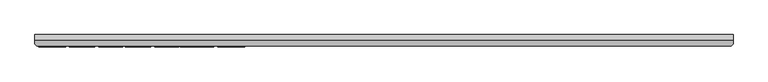
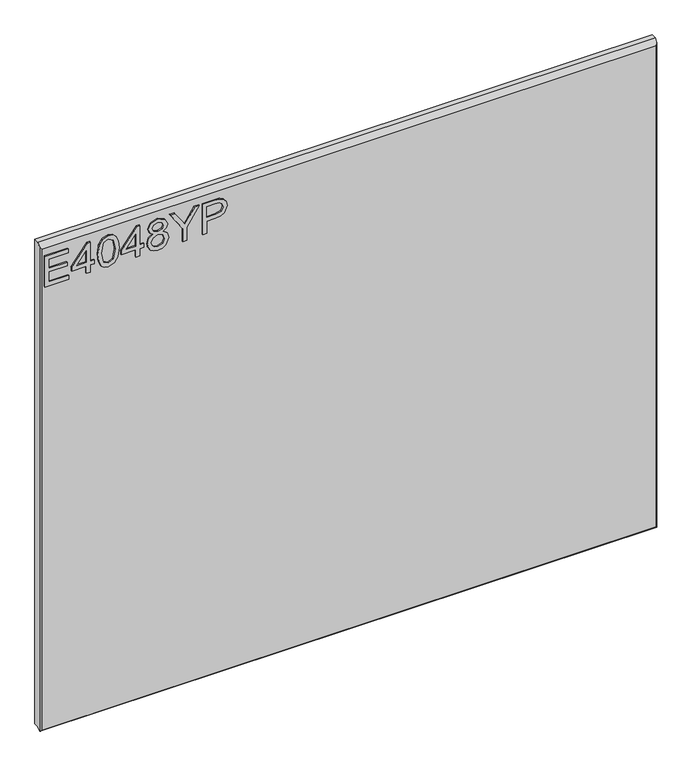
"""IFC4 building model written with IfcOpenShell, lengths in millimetres: furniture geometry."""

from ifc_helpers import new_model, si_unit, frame, origin, place, context, project, spatial, polyline, outline, extrude, faceted_brep, source, transform, mapped, element, save


def furniture_a241f433(model_context):
    return source(origin(), model_context, "Body", "SolidModel", [
        extrude(outline(polyline([(2030.5117188, -279.0852904), (2030.5117188, -232.2396877), (2038.4854384, -232.2396877), (2038.4854384, -271.1115708), (2059.4164524, -271.1115708), (2059.4164524, -235.2298325), (2067.390172, -235.2298325), (2067.390172, -271.1115708), (2086.3277561, -271.1115708), (2086.3277561, -233.2364026), (2094.3014757, -233.2364026), (2094.3014757, -279.0852904), (2030.5117188, -279.0852904)])), frame((0.0, -21.9273438, 0.0), z_axis=(0.0, 1.0, 0.0), x_axis=(0.0, 0.0, 1.0)), (0.0, 0.0, 1.0), 2.38125),
        extrude(outline(polyline([(2030.5117188, -197.3546643), (2030.5117188, -189.3809447), (2045.462443, -189.3809447), (2045.462443, -181.4072251), (2053.4361627, -181.4072251), (2053.4361627, -189.3809447), (2093.3047607, -189.3809447), (2093.3047607, -195.3612344), (2053.4361627, -226.2593979), (2045.462443, -226.2593979), (2045.462443, -197.3546643), (2030.5117188, -197.3546643)]), holes=[polyline([(2053.4361627, -197.3546643), (2053.4361627, -216.4479851), (2078.0737104, -197.3546643), (2053.4361627, -197.3546643)])]), frame((0.0, -21.9273438, 0.0), z_axis=(0.0, 1.0, 0.0), x_axis=(0.0, 0.0, 1.0)), (0.0, 0.0, 1.0), 2.38125),
        extrude(outline(polyline([(2061.8926661, -174.4302204), (2046.3773962, -172.841706), (2035.5887355, -168.0761626), (2031.0334367, -161.7843995), (2029.5150038, -153.4992064), (2033.011293, -141.8267399), (2043.616963, -134.8886694), (2061.8926661, -132.5681924), (2076.8823245, -134.0165438), (2086.3199692, -137.7542249), (2092.2457511, -144.1861511), (2094.3014757, -153.4992064), (2090.828547, -165.1249519), (2080.2462375, -172.0863829), (2061.8926661, -174.4302204)]), holes=[polyline([(2061.9082397, -166.4565008), (2082.0605702, -162.5942304), (2086.3277561, -153.5926485), (2081.4843444, -144.1550038), (2061.9082397, -140.5419121), (2042.1218906, -144.2795931), (2037.4887234, -153.4992064), (2042.1063169, -162.7188197), (2061.9082397, -166.4565008)])]), frame((0.0, -21.9273438, 0.0), z_axis=(0.0, 1.0, 0.0), x_axis=(0.0, 0.0, 1.0)), (0.0, 0.0, 1.0), 2.38125),
        extrude(outline(polyline([(2030.5117188, -99.676599), (2030.5117188, -91.7028794), (2045.462443, -91.7028794), (2045.462443, -83.7291598), (2053.4361627, -83.7291598), (2053.4361627, -91.7028794), (2093.3047607, -91.7028794), (2093.3047607, -97.6831691), (2053.4361627, -128.5813326), (2045.462443, -128.5813326), (2045.462443, -99.676599), (2030.5117188, -99.676599)]), holes=[polyline([(2053.4361627, -99.676599), (2053.4361627, -118.7699198), (2078.0737104, -99.676599), (2053.4361627, -99.676599)])]), frame((0.0, -21.9273438, 0.0), z_axis=(0.0, 1.0, 0.0), x_axis=(0.0, 0.0, 1.0)), (0.0, 0.0, 1.0), 2.38125),
        extrude(outline(polyline([(2065.6459208, -65.1341964), (2059.8525152, -73.7308629), (2049.2935661, -76.7521551), (2041.5359312, -75.3115905), (2035.1760333, -70.9898968), (2030.9302612, -64.3165787), (2029.5150038, -55.8211411), (2030.924421, -47.3257035), (2035.1526727, -40.6523854), (2049.0755347, -34.8901271), (2059.3930919, -37.7946168), (2065.6459208, -46.2744807), (2070.5749877, -39.2118208), (2078.089284, -36.883557), (2089.5826533, -42.1163105), (2094.3014757, -55.9301568), (2089.691669, -69.6194137), (2078.3073154, -74.7587252), (2070.5983482, -72.399314), (2065.6459208, -65.1341964)]), holes=[polyline([(2078.0737104, -66.7850056), (2083.8982634, -63.9116633), (2086.3277561, -55.8211411), (2083.8437555, -47.7539795), (2077.7155159, -44.8572766), (2071.7975209, -47.6605374), (2069.3836019, -55.7276991), (2071.8130946, -63.9583843), (2078.0737104, -66.7850056)]), polyline([(2049.5738922, -68.7784355), (2058.0303956, -65.4067357), (2061.4098823, -56.0235988), (2057.9836746, -46.3679227), (2049.3247135, -42.8638467), (2040.8292759, -46.258907), (2037.4887234, -55.7588464), (2039.0772379, -62.7358511), (2043.570242, -67.4468866), (2049.5738922, -68.7784355)])]), frame((0.0, -21.9273438, 0.0), z_axis=(0.0, 1.0, 0.0), x_axis=(0.0, 0.0, 1.0)), (0.0, 0.0, 1.0), 2.38125),
        extrude(outline(polyline([(2030.5117188, -6.9821084), (2030.5117188, 0.9916112), (2057.5320382, 0.9916112), (2094.3014757, 25.909485), (2094.3014757, 16.5029876), (2075.3794653, 4.4333925), (2064.6492059, -2.3878755), (2074.6630764, -9.1935697), (2094.3014757, -22.4934849), (2094.3014757, -31.8999823), (2057.5320382, -6.9821084), (2030.5117188, -6.9821084)])), frame((0.0, -21.9273438, 0.0), z_axis=(0.0, 1.0, 0.0), x_axis=(0.0, 0.0, 1.0)), (0.0, 0.0, 1.0), 2.38125),
        extrude(outline(polyline([(2030.5117188, 32.8864896), (2030.5117188, 40.8602093), (2056.4263075, 40.8602093), (2056.4263075, 57.0724009), (2057.8357247, 68.4002999), (2062.0639765, 75.5972827), (2075.8466754, 80.7288074), (2084.5445707, 78.8288195), (2090.7117445, 73.8063105), (2093.6941025, 66.0584091), (2094.3014757, 56.5273224), (2094.3014757, 32.8864896), (2030.5117188, 32.8864896)]), holes=[polyline([(2064.4000271, 40.8602093), (2086.3277561, 40.8602093), (2086.3277561, 57.352727), (2085.7826776, 65.3264466), (2082.1695859, 70.70715), (2075.5663493, 72.7550877), (2067.3278773, 69.2821591), (2064.4000271, 57.539611), (2064.4000271, 40.8602093)])]), frame((0.0, -21.9273438, 0.0), z_axis=(0.0, 1.0, 0.0), x_axis=(0.0, 0.0, 1.0)), (0.0, 0.0, 1.0), 2.38125),
        faceted_brep([(933.1377049, 0.0, 2119.4117187), (-286.0622951, 0.0, 2119.4117187), (-286.0622951, -9.7234375, 2119.4117187), (933.1377049, -9.7234375, 2119.4117187), (-286.0622951, 0.0, 1108.2734375), (933.1377049, 0.0, 1108.2734375), (933.1377049, -10.0210916, 1108.2734375), (-286.0622951, -10.0210916, 1108.2734375), (-286.0622951, -15.9900937, 1102.3044354), (-286.0622951, -15.9900937, 2113.1450625), (929.9627049, -19.5460937, 2109.5890625), (-282.8872951, -19.5460937, 2109.5890625), (-282.8872951, -19.5460937, 1105.0984375), (929.9627068, -19.5460937, 1105.0984375), (933.1377049, -15.9900938, 2113.1450625), (933.1377049, -15.9900938, 1102.3044354), (932.7975282, -16.3710916, 1101.9234375), (-285.7221184, -16.3710916, 1101.9234375)], [[[0, 1, 2, 3]], [[4, 5, 6, 7]], [[1, 4, 7, 8, 9, 2]], [[10, 11, 12, 13]], [[5, 0, 3, 14, 15, 6]], [[1, 0, 5, 4]], [[3, 2, 9, 11, 10, 14]], [[7, 6, 15, 16, 17, 8]], [[17, 16, 13, 12]], [[9, 8, 17, 12, 11]], [[10, 13, 16, 15, 14]]]),
    ])


if __name__ == "__main__":
    model = new_model("IFC4")
    model_context = context("Model", 3, world=origin())
    ifc_project = project(units=[si_unit("LENGTHUNIT", "METRE", prefix="MILLI")], contexts=[model_context])
    site = spatial("IfcSite", under=ifc_project)
    building = spatial("IfcBuilding", under=site)
    placement = place(None, origin())
    furniture_shape = furniture_a241f433(model_context)
    element("IfcFurniture", 1, at=placement, inside=building, context=model_context, shape_type="MappedRepresentation", body=[
        mapped(furniture_shape, transform((0.0, 0.0, 0.0), x_axis=(1.0, 0.0, 0.0), y_axis=(0.0, 1.0, 0.0), z_axis=(0.0, 0.0, 1.0))),
    ])
    save(model, "model.ifc")
